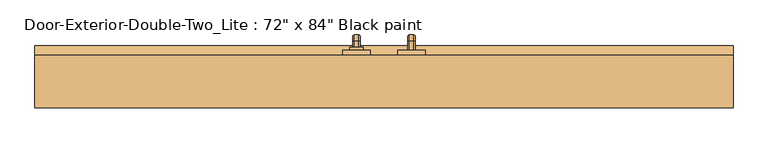
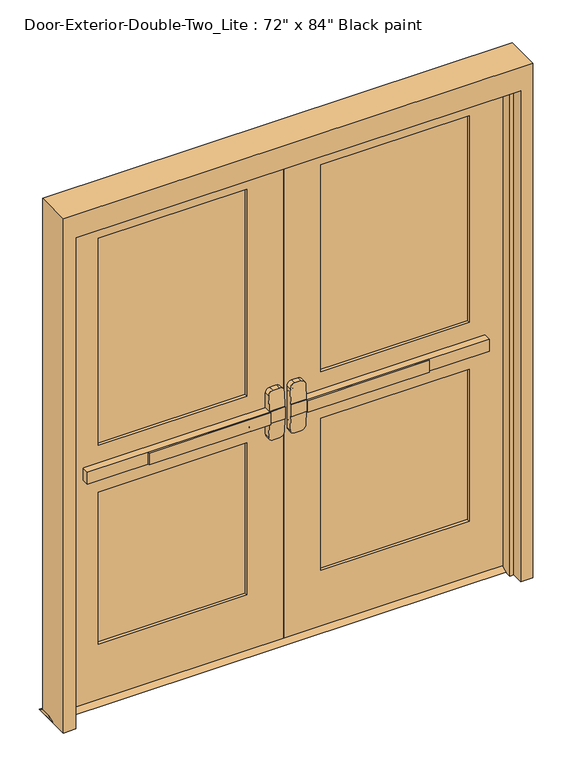
"""IFC4 building model written with IfcOpenShell, lengths in millimetres: door geometry."""

from ifc_helpers import new_model, si_unit, point, frame, frame_2d, origin, place, context, project, spatial, polyline, circle_curve, ellipse_curve, trimmed, segment, composite_curve, outline, extrude, faceted_brep, source, transform, mapped, element, save
from ifc_brep_helpers import plane_surface, cylinder_surface, revolved_surface, advanced_brep


def door_b526a401(model_context):
    return source(origin(), model_context, "Body", "SolidModel", [
        extrude(outline(polyline([(-575.7333333, 66.675), (-575.7333333, 73.025), (-76.2, 73.025), (-76.2, 66.675), (-575.7333333, 66.675)])), frame((0.0, 0.0, 990.6), z_axis=(0.0, 0.0, 1.0), x_axis=(1.0, 0.0, 0.0)), (0.0, 0.0, 1.0), 50.8),
        advanced_brep(
        [(-12.7, 73.025, 1041.4), (-76.2, 73.025, 1041.4), (-825.5, 73.025, 1041.4), (-825.5, 73.025, 990.6), (-76.2, 73.025, 990.6), (-12.7, 73.025, 990.6), (-825.5, 104.775, 1041.4), (-76.2, 104.775, 1041.4), (-76.2, 104.775, 1104.9), (-57.15, 104.775, 1123.95), (-31.75, 104.775, 1123.95), (-12.7, 104.775, 1104.9), (-12.7, 104.775, 927.1), (-31.75, 104.775, 908.05), (-57.15, 104.775, 908.05), (-76.2, 104.775, 927.1), (-76.2, 104.775, 990.6), (-825.5, 104.775, 990.6), (-12.7, 76.2002467, 1041.4), (-76.2, 76.2002467, 1041.4), (-12.7, 76.2002467, 990.6), (-12.7, 81.2104269, 927.1), (-12.7, 81.2104269, 1104.9), (-76.2, 76.2002467, 990.6), (-76.2, 81.2104269, 1104.9), (-76.2, 81.2104269, 927.1), (-57.15, 82.713481, 1123.95), (-31.75, 82.713481, 1123.95), (-31.75, 82.713481, 908.05), (-57.15, 82.713481, 908.05)],
        [
            (0, 1),
            (1, 2),
            (2, 3),
            (3, 4),
            (4, 5),
            (5, 0),
            (6, 7),
            (7, 8),
            (8, 9, circle_curve(frame((-57.15, 104.775, 1104.9), z_axis=(0.0, 1.0, 0.0), x_axis=(-1.0, 0.0, 0.0)), 19.05)),
            (9, 10),
            (10, 11, circle_curve(frame((-31.75, 104.775, 1104.9), z_axis=(0.0, 1.0, 0.0), x_axis=(-1.0, 0.0, 0.0)), 19.05)),
            (11, 12),
            (12, 13, circle_curve(frame((-31.75, 104.775, 927.1), z_axis=(0.0, 1.0, 0.0), x_axis=(-1.0, 0.0, 0.0)), 19.05)),
            (13, 14),
            (14, 15, circle_curve(frame((-57.15, 104.775, 927.1), z_axis=(0.0, 1.0, 0.0), x_axis=(-1.0, 0.0, 0.0)), 19.05)),
            (15, 16),
            (16, 17),
            (17, 6),
            (0, 18),
            (18, 19),
            (19, 7),
            (6, 2),
            (5, 20),
            (20, 21),
            (21, 12),
            (11, 22),
            (22, 18),
            (16, 23),
            (23, 20),
            (3, 17),
            (19, 24),
            (24, 8),
            (15, 25),
            (25, 23),
            (9, 26),
            (26, 27),
            (27, 10),
            (13, 28),
            (28, 29),
            (29, 14),
            (29, 25, ellipse_curve(frame((-57.15, 81.2104269, 927.1), z_axis=(0.0, 0.9969018152893365, 0.07865602756830282), x_axis=(0.0, -0.07865602756830208, 0.9969018152893365)), 19.1092038, 19.05)),
            (24, 26, ellipse_curve(frame((-57.15, 81.2104269, 1104.9), z_axis=(0.0, 0.9969018152893376, -0.07865602756828934), x_axis=(0.0, -0.078656027568288, -0.9969018152893377)), 19.1092038, 19.05)),
            (27, 22, ellipse_curve(frame((-31.75, 81.2104269, 1104.9), z_axis=(0.0, 0.9969018152893376, -0.07865602756828934), x_axis=(0.0, -0.078656027568288, -0.9969018152893377)), 19.1092038, 19.05)),
            (21, 28, ellipse_curve(frame((-31.75, 81.2104269, 927.1), z_axis=(0.0, 0.9969018152893365, 0.07865602756830282), x_axis=(0.0, -0.07865602756830208, 0.9969018152893365)), 19.1092038, 19.05)),
        ],
        [
            plane_surface(frame((-12.7, 73.025, 1041.4), z_axis=(0.0, -1.0, 0.0), x_axis=(1.0, 0.0, 0.0))),
            plane_surface(frame((-12.7, 104.775, 1041.4), z_axis=(0.0, 1.0, 0.0), x_axis=(-1.0, 0.0, 0.0))),
            plane_surface(frame((-825.5, 73.025, 1041.4), z_axis=(0.0, 0.0, 1.0), x_axis=(0.0, 1.0, 0.0))),
            plane_surface(frame((-12.7, 73.025, 1041.4), z_axis=(1.0, 0.0, 0.0), x_axis=(0.0, 1.0, 0.0))),
            plane_surface(frame((-12.7, 73.025, 990.6), z_axis=(0.0, 0.0, -1.0), x_axis=(0.0, 1.0, 0.0))),
            plane_surface(frame((-825.5, 73.025, 990.6), z_axis=(-1.0, 0.0, 0.0), x_axis=(0.0, 1.0, 0.0))),
            plane_surface(frame((-76.2, 76.2002467, 927.1), z_axis=(-1.0, 0.0, 0.0), x_axis=(0.0, 1.0, 0.0))),
            plane_surface(frame((-57.15, 76.2002467, 1123.95), z_axis=(0.0, 0.0, 1.0), x_axis=(0.0, 1.0, 0.0))),
            plane_surface(frame((-31.75, 76.2002467, 908.05), z_axis=(0.0, 0.0, -1.0), x_axis=(0.0, 1.0, 0.0))),
            cylinder_surface(frame((-57.15, 104.775, 927.1), z_axis=(0.0, -1.0, 0.0), x_axis=(-1.0, 0.0, 0.0)), 19.05),
            cylinder_surface(frame((-57.15, 104.775, 1104.9), z_axis=(0.0, -1.0, 0.0), x_axis=(-1.0, 0.0, 0.0)), 19.05),
            cylinder_surface(frame((-31.75, 104.775, 1104.9), z_axis=(0.0, -1.0, 0.0), x_axis=(-1.0, 0.0, 0.0)), 19.05),
            cylinder_surface(frame((-31.75, 104.775, 927.1), z_axis=(0.0, -1.0, 0.0), x_axis=(-1.0, 0.0, 0.0)), 19.05),
            plane_surface(frame((-76.2, 76.2002467, 1041.4), z_axis=(0.0, -0.9969018152893376, 0.07865602756828934), x_axis=(1.0, 0.0, 0.0))),
            plane_surface(frame((-76.2, 82.713481, 908.05), z_axis=(0.0, -0.9969018152893365, -0.07865602756830282), x_axis=(1.0, 0.0, 0.0))),
        ],
        [
            (0, [[1, 2, 3, 4, 5, 6]]),
            (1, [[7, 8, 9, 10, 11, 12, 13, 14, 15, 16, 17, 18]]),
            (2, [[-2, -1, 19, 20, 21, -7, 22]]),
            (3, [[23, 24, 25, -12, 26, 27, -19, -6]]),
            (4, [[-17, 28, 29, -23, -5, -4, 30]]),
            (5, [[-22, -18, -30, -3]]),
            (6, [[-21, 31, 32, -8]]),
            (6, [[33, 34, -28, -16]]),
            (7, [[35, 36, 37, -10]]),
            (8, [[38, 39, 40, -14]]),
            (9, [[-40, 41, -33, -15]]),
            (10, [[-32, 42, -35, -9]]),
            (11, [[-37, 43, -26, -11]]),
            (12, [[-25, 44, -38, -13]]),
            (13, [[-27, -43, -36, -42, -31, -20]]),
            (14, [[-29, -34, -41, -39, -44, -24]]),
        ],
    ),
        extrude(outline(polyline([(149.225, 12.7), (174.625, 0.0), (79.375, 0.0), (104.775, 12.7), (149.225, 12.7)])), frame((-965.2, 0.0, 0.0), z_axis=(1.0, 0.0, 0.0), x_axis=(0.0, 1.0, 0.0)), (0.0, 0.0, 1.0), 1930.4),
        extrude(outline(polyline([(575.7333333, 66.675), (76.2, 66.675), (76.2, 73.025), (575.7333333, 73.025), (575.7333333, 66.675)])), frame((0.0, 0.0, 990.6), z_axis=(0.0, 0.0, 1.0), x_axis=(1.0, 0.0, 0.0)), (0.0, 0.0, 1.0), 50.8),
        advanced_brep(
        [(12.7, 73.025, 1041.4), (12.7, 73.025, 990.6), (76.2, 73.025, 990.6), (825.5, 73.025, 990.6), (825.5, 73.025, 1041.4), (76.2, 73.025, 1041.4), (825.5, 104.775, 1041.4), (825.5, 104.775, 990.6), (76.2, 104.775, 990.6), (76.2, 104.775, 927.1), (57.15, 104.775, 908.05), (31.75, 104.775, 908.05), (12.7, 104.775, 927.1), (12.7, 104.775, 1104.9), (31.75, 104.775, 1123.95), (57.15, 104.775, 1123.95), (76.2, 104.775, 1104.9), (76.2, 104.775, 1041.4), (76.2, 76.2002467, 1041.4), (12.7, 76.2002467, 1041.4), (12.7, 81.2104269, 1104.9), (12.7, 81.2104269, 927.1), (12.7, 76.2002467, 990.6), (76.2, 76.2002467, 990.6), (76.2, 81.2104269, 927.1), (76.2, 81.2104269, 1104.9), (31.75, 82.713481, 1123.95), (57.15, 82.713481, 1123.95), (57.15, 82.713481, 908.05), (31.75, 82.713481, 908.05)],
        [
            (0, 1),
            (1, 2),
            (2, 3),
            (3, 4),
            (4, 5),
            (5, 0),
            (6, 7),
            (7, 8),
            (8, 9),
            (9, 10, circle_curve(frame((57.15, 104.775, 927.1), z_axis=(0.0, 1.0, 0.0), x_axis=(1.0, 0.0, 0.0)), 19.05)),
            (10, 11),
            (11, 12, circle_curve(frame((31.75, 104.775, 927.1), z_axis=(0.0, 1.0, 0.0), x_axis=(1.0, 0.0, 0.0)), 19.05)),
            (12, 13),
            (13, 14, circle_curve(frame((31.75, 104.775, 1104.9), z_axis=(0.0, 1.0, 0.0), x_axis=(1.0, 0.0, 0.0)), 19.05)),
            (14, 15),
            (15, 16, circle_curve(frame((57.15, 104.775, 1104.9), z_axis=(0.0, 1.0, 0.0), x_axis=(1.0, 0.0, 0.0)), 19.05)),
            (16, 17),
            (17, 6),
            (4, 6),
            (17, 18),
            (18, 19),
            (19, 0),
            (19, 20),
            (20, 13),
            (12, 21),
            (21, 22),
            (22, 1),
            (7, 3),
            (22, 23),
            (23, 8),
            (23, 24),
            (24, 9),
            (16, 25),
            (25, 18),
            (14, 26),
            (26, 27),
            (27, 15),
            (10, 28),
            (28, 29),
            (29, 11),
            (24, 28, ellipse_curve(frame((57.15, 81.2104269, 927.1), z_axis=(0.0, 0.9969018152893365, 0.07865602756830282), x_axis=(0.0, -0.07865602756830208, 0.9969018152893365)), 19.1092038, 19.05)),
            (27, 25, ellipse_curve(frame((57.15, 81.2104269, 1104.9), z_axis=(0.0, 0.9969018152893376, -0.07865602756828934), x_axis=(0.0, -0.078656027568288, -0.9969018152893377)), 19.1092038, 19.05)),
            (20, 26, ellipse_curve(frame((31.75, 81.2104269, 1104.9), z_axis=(0.0, 0.9969018152893376, -0.07865602756828934), x_axis=(0.0, -0.078656027568288, -0.9969018152893377)), 19.1092038, 19.05)),
            (29, 21, ellipse_curve(frame((31.75, 81.2104269, 927.1), z_axis=(0.0, 0.9969018152893365, 0.07865602756830282), x_axis=(0.0, -0.07865602756830208, 0.9969018152893365)), 19.1092038, 19.05)),
        ],
        [
            plane_surface(frame((12.7, 73.025, 1041.4), z_axis=(0.0, -1.0, 0.0), x_axis=(-1.0, 0.0, 0.0))),
            plane_surface(frame((12.7, 104.775, 1041.4), z_axis=(0.0, 1.0, 0.0), x_axis=(1.0, 0.0, 0.0))),
            plane_surface(frame((825.5, 73.025, 1041.4), z_axis=(0.0, 0.0, 1.0), x_axis=(0.0, 1.0, 0.0))),
            plane_surface(frame((12.7, 73.025, 1041.4), z_axis=(-1.0, 0.0, 0.0), x_axis=(0.0, 1.0, 0.0))),
            plane_surface(frame((12.7, 73.025, 990.6), z_axis=(0.0, 0.0, -1.0), x_axis=(0.0, 1.0, 0.0))),
            plane_surface(frame((825.5, 73.025, 990.6), z_axis=(1.0, 0.0, 0.0), x_axis=(0.0, 1.0, 0.0))),
            plane_surface(frame((76.2, 76.2002467, 927.1), z_axis=(1.0, 0.0, 0.0), x_axis=(0.0, 1.0, 0.0))),
            plane_surface(frame((57.15, 76.2002467, 1123.95), z_axis=(0.0, 0.0, 1.0), x_axis=(0.0, 1.0, 0.0))),
            plane_surface(frame((31.75, 76.2002467, 908.05), z_axis=(0.0, 0.0, -1.0), x_axis=(0.0, 1.0, 0.0))),
            cylinder_surface(frame((57.15, 104.775, 927.1), z_axis=(0.0, -1.0, 0.0), x_axis=(1.0, 0.0, 0.0)), 19.05),
            cylinder_surface(frame((57.15, 104.775, 1104.9), z_axis=(0.0, -1.0, 0.0), x_axis=(1.0, 0.0, 0.0)), 19.05),
            cylinder_surface(frame((31.75, 104.775, 1104.9), z_axis=(0.0, -1.0, 0.0), x_axis=(1.0, 0.0, 0.0)), 19.05),
            cylinder_surface(frame((31.75, 104.775, 927.1), z_axis=(0.0, -1.0, 0.0), x_axis=(1.0, 0.0, 0.0)), 19.05),
            plane_surface(frame((76.2, 76.2002467, 1041.4), z_axis=(0.0, -0.9969018152893376, 0.07865602756828934), x_axis=(-1.0, 0.0, 0.0))),
            plane_surface(frame((76.2, 82.713481, 908.05), z_axis=(0.0, -0.9969018152893365, -0.07865602756830282), x_axis=(-1.0, 0.0, 0.0))),
        ],
        [
            (0, [[1, 2, 3, 4, 5, 6]]),
            (1, [[7, 8, 9, 10, 11, 12, 13, 14, 15, 16, 17, 18]]),
            (2, [[19, -18, 20, 21, 22, -6, -5]]),
            (3, [[-1, -22, 23, 24, -13, 25, 26, 27]]),
            (4, [[28, -3, -2, -27, 29, 30, -8]]),
            (5, [[-4, -28, -7, -19]]),
            (6, [[-9, -30, 31, 32]]),
            (6, [[-17, 33, 34, -20]]),
            (7, [[-15, 35, 36, 37]]),
            (8, [[-11, 38, 39, 40]]),
            (9, [[-10, -32, 41, -38]]),
            (10, [[-16, -37, 42, -33]]),
            (11, [[-14, -24, 43, -35]]),
            (12, [[-12, -40, 44, -25]]),
            (13, [[-21, -34, -42, -36, -43, -23]]),
            (14, [[-26, -44, -39, -41, -31, -29]]),
        ],
    ),
        advanced_brep(
        [(66.2, 161.925, 1017.190625), (66.2, 161.925, 1014.809375), (69.771875, 161.925, 1011.2375), (82.6284594, 161.925, 1011.2375), (86.2, 161.925, 1014.8090406), (86.2, 161.925, 1017.190625), (82.628125, 161.925, 1020.7625), (69.771875, 161.925, 1020.7625), (66.2, 161.925, 887.809375), (69.771875, 161.925, 884.2375), (82.628125, 161.925, 884.2375), (86.2, 161.925, 887.809375), (86.2, 161.925, 890.1909594), (82.6284594, 161.925, 893.7625), (69.771875, 161.925, 893.7625), (66.2, 161.925, 890.190625), (66.2, 187.325, 1017.190625), (66.2, 201.215625, 1003.3), (66.2, 201.215625, 901.7), (66.2, 187.325, 887.809375), (66.2, 187.325, 890.190625), (66.2, 198.834375, 901.7), (66.2, 198.834375, 1003.3), (66.2, 187.325, 1014.809375), (69.771875, 187.325, 1011.2375), (82.6284594, 187.325, 1011.2375), (86.2, 187.325, 1014.8090406), (86.2, 198.8340406, 1003.3), (86.2, 198.8340406, 901.7), (86.2, 187.325, 890.1909594), (86.2, 187.325, 887.809375), (86.2, 201.215625, 901.7), (86.2, 201.215625, 1003.3), (86.2, 187.325, 1017.190625), (82.628125, 187.325, 1020.7625), (69.771875, 187.325, 1020.7625), (69.771875, 195.2625, 1003.3), (82.6284594, 195.2625, 1003.3), (82.628125, 204.7875, 1003.3), (69.771875, 204.7875, 1003.3), (69.771875, 195.2625, 901.7), (82.6284594, 195.2625, 901.7), (82.628125, 204.7875, 901.7), (69.771875, 204.7875, 901.7), (69.771875, 187.325, 893.7625), (82.6284594, 187.325, 893.7625), (82.628125, 187.325, 884.2375), (69.771875, 187.325, 884.2375)],
        [
            (0, 1),
            (1, 2, circle_curve(frame((69.771875, 161.925, 1014.809375), z_axis=(0.0, -1.0, 0.0), x_axis=(0.0, 0.0, 1.0)), 3.571875)),
            (2, 3),
            (3, 4, circle_curve(frame((82.6284594, 161.925, 1014.8090406), z_axis=(0.0, -1.0, 0.0), x_axis=(0.0, 0.0, 1.0)), 3.5715406)),
            (4, 5),
            (5, 6, circle_curve(frame((82.628125, 161.925, 1017.190625), z_axis=(0.0, -1.0, 0.0), x_axis=(0.0, 0.0, 1.0)), 3.571875)),
            (6, 7),
            (7, 0, circle_curve(frame((69.771875, 161.925, 1017.190625), z_axis=(0.0, -1.0, 0.0), x_axis=(0.0, 0.0, 1.0)), 3.571875)),
            (8, 9, circle_curve(frame((69.771875, 161.925, 887.809375), z_axis=(0.0, -1.0, 0.0), x_axis=(0.0, 0.0, -1.0)), 3.571875)),
            (9, 10),
            (10, 11, circle_curve(frame((82.628125, 161.925, 887.809375), z_axis=(0.0, -1.0, 0.0), x_axis=(0.0, 0.0, -1.0)), 3.571875)),
            (11, 12),
            (12, 13, circle_curve(frame((82.6284594, 161.925, 890.1909594), z_axis=(0.0, -1.0, 0.0), x_axis=(0.0, 0.0, -1.0)), 3.5715406)),
            (13, 14),
            (14, 15, circle_curve(frame((69.771875, 161.925, 890.190625), z_axis=(0.0, -1.0, 0.0), x_axis=(0.0, 0.0, -1.0)), 3.571875)),
            (15, 8),
            (0, 16),
            (16, 17, circle_curve(frame((66.2, 187.325, 1003.3), z_axis=(-1.0, 0.0, 0.0), x_axis=(0.0, 0.0, 1.0)), 13.890625)),
            (17, 18),
            (18, 19, circle_curve(frame((66.2, 187.325, 901.7), z_axis=(-1.0, 0.0, 0.0), x_axis=(0.0, 1.0, 0.0)), 13.890625)),
            (19, 8),
            (15, 20),
            (20, 21, circle_curve(frame((66.2, 187.325, 901.7), z_axis=(1.0, 0.0, 0.0), x_axis=(0.0, 1.0, 0.0)), 11.509375)),
            (21, 22),
            (22, 23, circle_curve(frame((66.2, 187.325, 1003.3), z_axis=(1.0, 0.0, 0.0), x_axis=(0.0, 0.0, 1.0)), 11.509375)),
            (23, 1),
            (23, 24, circle_curve(frame((69.771875, 187.325, 1014.809375), z_axis=(0.0, -1.0, 0.0), x_axis=(0.0, 0.0, 1.0)), 3.571875)),
            (24, 2),
            (24, 25),
            (25, 3),
            (25, 26, circle_curve(frame((82.6284594, 187.325, 1014.8090406), z_axis=(0.0, -1.0, 0.0), x_axis=(0.0, 0.0, 1.0)), 3.5715406)),
            (26, 4),
            (26, 27, circle_curve(frame((86.2, 187.325, 1003.3), z_axis=(-1.0, 0.0, 0.0), x_axis=(0.0, 0.0, 1.0)), 11.5090406)),
            (27, 28),
            (28, 29, circle_curve(frame((86.2, 187.325, 901.7), z_axis=(-1.0, 0.0, 0.0), x_axis=(0.0, 1.0, 0.0)), 11.5090406)),
            (29, 12),
            (11, 30),
            (30, 31, circle_curve(frame((86.2, 187.325, 901.7), z_axis=(1.0, 0.0, 0.0), x_axis=(0.0, 1.0, 0.0)), 13.890625)),
            (31, 32),
            (32, 33, circle_curve(frame((86.2, 187.325, 1003.3), z_axis=(1.0, 0.0, 0.0), x_axis=(0.0, 0.0, 1.0)), 13.890625)),
            (33, 5),
            (33, 34, circle_curve(frame((82.628125, 187.325, 1017.190625), z_axis=(0.0, -1.0, 0.0), x_axis=(0.0, 0.0, 1.0)), 3.571875)),
            (34, 6),
            (34, 35),
            (35, 7),
            (35, 16, circle_curve(frame((69.771875, 187.325, 1017.190625), z_axis=(0.0, -1.0, 0.0), x_axis=(0.0, 0.0, 1.0)), 3.571875)),
            (36, 24, circle_curve(frame((69.771875, 187.325, 1003.3), z_axis=(1.0, 0.0, 0.0), x_axis=(0.0, 0.0, 1.0)), 7.9375)),
            (22, 36, circle_curve(frame((69.771875, 198.834375, 1003.3), z_axis=(0.0, 0.0, 1.0), x_axis=(0.0, 1.0, 0.0)), 3.571875)),
            (37, 25, circle_curve(frame((82.6284594, 187.325, 1003.3), z_axis=(1.0, 0.0, 0.0), x_axis=(0.0, 0.0, 1.0)), 7.9375)),
            (36, 37),
            (37, 27, circle_curve(frame((82.6284594, 198.8340406, 1003.3), z_axis=(0.0, 0.0, 1.0), x_axis=(0.0, 1.0, 0.0)), 3.5715406)),
            (38, 34, circle_curve(frame((82.628125, 187.325, 1003.3), z_axis=(1.0, 0.0, 0.0), x_axis=(0.0, 0.0, 1.0)), 17.4625)),
            (32, 38, circle_curve(frame((82.628125, 201.215625, 1003.3), z_axis=(0.0, 0.0, 1.0), x_axis=(0.0, 1.0, 0.0)), 3.571875)),
            (39, 35, circle_curve(frame((69.771875, 187.325, 1003.3), z_axis=(1.0, 0.0, 0.0), x_axis=(0.0, 0.0, 1.0)), 17.4625)),
            (38, 39),
            (39, 17, circle_curve(frame((69.771875, 201.215625, 1003.3), z_axis=(0.0, 0.0, 1.0), x_axis=(0.0, 1.0, 0.0)), 3.571875)),
            (21, 40, circle_curve(frame((69.771875, 198.834375, 901.7), z_axis=(0.0, 0.0, 1.0), x_axis=(0.0, 1.0, 0.0)), 3.571875)),
            (40, 36),
            (40, 41),
            (41, 37),
            (41, 28, circle_curve(frame((82.6284594, 198.8340406, 901.7), z_axis=(0.0, 0.0, 1.0), x_axis=(0.0, 1.0, 0.0)), 3.5715406)),
            (31, 42, circle_curve(frame((82.628125, 201.215625, 901.7), z_axis=(0.0, 0.0, 1.0), x_axis=(0.0, 1.0, 0.0)), 3.571875)),
            (42, 38),
            (42, 43),
            (43, 39),
            (43, 18, circle_curve(frame((69.771875, 201.215625, 901.7), z_axis=(0.0, 0.0, 1.0), x_axis=(0.0, 1.0, 0.0)), 3.571875)),
            (44, 40, circle_curve(frame((69.771875, 187.325, 901.7), z_axis=(1.0, 0.0, 0.0), x_axis=(0.0, 1.0, 0.0)), 7.9375)),
            (20, 44, circle_curve(frame((69.771875, 187.325, 890.190625), z_axis=(0.0, 1.0, 0.0), x_axis=(0.0, 0.0, -1.0)), 3.571875)),
            (45, 41, circle_curve(frame((82.6284594, 187.325, 901.7), z_axis=(1.0, 0.0, 0.0), x_axis=(0.0, 1.0, 0.0)), 7.9375)),
            (44, 45),
            (45, 29, circle_curve(frame((82.6284594, 187.325, 890.1909594), z_axis=(0.0, 1.0, 0.0), x_axis=(0.0, 0.0, -1.0)), 3.5715406)),
            (46, 42, circle_curve(frame((82.628125, 187.325, 901.7), z_axis=(1.0, 0.0, 0.0), x_axis=(0.0, 1.0, 0.0)), 17.4625)),
            (30, 46, circle_curve(frame((82.628125, 187.325, 887.809375), z_axis=(0.0, 1.0, 0.0), x_axis=(0.0, 0.0, -1.0)), 3.571875)),
            (47, 43, circle_curve(frame((69.771875, 187.325, 901.7), z_axis=(1.0, 0.0, 0.0), x_axis=(0.0, 1.0, 0.0)), 17.4625)),
            (46, 47),
            (47, 19, circle_curve(frame((69.771875, 187.325, 887.809375), z_axis=(0.0, 1.0, 0.0), x_axis=(0.0, 0.0, -1.0)), 3.571875)),
            (14, 44),
            (13, 45),
            (10, 46),
            (9, 47),
        ],
        [
            plane_surface(frame((76.2, 161.925, 1016.0), z_axis=(0.0, -1.0, 0.0), x_axis=(1.0, 0.0, 0.0))),
            plane_surface(frame((76.2, 161.925, 889.0), z_axis=(0.0, -1.0, 0.0), x_axis=(1.0, 0.0, 0.0))),
            plane_surface(frame((66.2, 161.925, 1017.190625), z_axis=(-1.0, 0.0, 0.0), x_axis=(0.0, 1.0, 0.0))),
            cylinder_surface(frame((69.771875, 161.925, 1014.809375), z_axis=(0.0, -1.0, 0.0), x_axis=(0.0, 0.0, 1.0)), 3.571875),
            plane_surface(frame((69.771875, 161.925, 1011.2375), z_axis=(0.0, 0.0, -1.0), x_axis=(0.0, 1.0, 0.0))),
            cylinder_surface(frame((82.6284594, 161.925, 1014.8090406), z_axis=(0.0, -1.0, 0.0), x_axis=(0.0, 0.0, 1.0)), 3.5715406),
            plane_surface(frame((86.2, 161.925, 1014.8090406), z_axis=(1.0, 0.0, 0.0), x_axis=(0.0, 1.0, 0.0))),
            cylinder_surface(frame((82.628125, 161.925, 1017.190625), z_axis=(0.0, -1.0, 0.0), x_axis=(0.0, 0.0, 1.0)), 3.571875),
            plane_surface(frame((82.628125, 161.925, 1020.7625), z_axis=(0.0, 0.0, 1.0), x_axis=(0.0, 1.0, 0.0))),
            cylinder_surface(frame((69.771875, 161.925, 1017.190625), z_axis=(0.0, -1.0, 0.0), x_axis=(0.0, 0.0, 1.0)), 3.571875),
            revolved_surface(trimmed(ellipse_curve(frame((69.771875, 187.325, 1014.809375), z_axis=(0.0, -1.0, 0.0), x_axis=(0.0, 0.0, 1.0)), 3.571875, 3.571875), [point((66.2, 187.325, 1014.809375))], [point((69.771875, 187.325, 1011.2375))], True, "CARTESIAN"), (76.2, 187.325, 1003.3), (-1.0, 0.0, 0.0)),
            revolved_surface(polyline([(69.771875, 187.325, 1011.2375), (82.6284594, 187.325, 1011.2375)]), (76.2, 187.325, 1003.3), (-1.0, 0.0, 0.0)),
            revolved_surface(trimmed(ellipse_curve(frame((82.6284594, 187.325, 1014.8090406), z_axis=(0.0, -1.0, 0.0), x_axis=(0.0, 0.0, 1.0)), 3.5715406, 3.5715406), [point((82.6284594, 187.325, 1011.2375))], [point((86.2, 187.325, 1014.8090406))], True, "CARTESIAN"), (76.2, 187.325, 1003.3), (-1.0, 0.0, 0.0)),
            revolved_surface(trimmed(ellipse_curve(frame((82.628125, 187.325, 1017.190625), z_axis=(0.0, -1.0, 0.0), x_axis=(0.0, 0.0, 1.0)), 3.571875, 3.571875), [point((86.2, 187.325, 1017.190625))], [point((82.628125, 187.325, 1020.7625))], True, "CARTESIAN"), (76.2, 187.325, 1003.3), (-1.0, 0.0, 0.0)),
            cylinder_surface(frame((76.2, 187.325, 1003.3), z_axis=(-1.0, 0.0, 0.0), x_axis=(0.0, 0.0, 1.0)), 17.4625),
            revolved_surface(trimmed(ellipse_curve(frame((69.771875, 187.325, 1017.190625), z_axis=(0.0, -1.0, 0.0), x_axis=(0.0, 0.0, 1.0)), 3.571875, 3.571875), [point((69.771875, 187.325, 1020.7625))], [point((66.2, 187.325, 1017.190625))], True, "CARTESIAN"), (76.2, 187.325, 1003.3), (-1.0, 0.0, 0.0)),
            cylinder_surface(frame((69.771875, 198.834375, 1003.3), z_axis=(0.0, 0.0, 1.0), x_axis=(0.0, 1.0, 0.0)), 3.571875),
            plane_surface(frame((69.771875, 195.2625, 1003.3), z_axis=(0.0, -1.0, 0.0), x_axis=(0.0, 0.0, -1.0))),
            cylinder_surface(frame((82.6284594, 198.8340406, 1003.3), z_axis=(0.0, 0.0, 1.0), x_axis=(0.0, 1.0, 0.0)), 3.5715406),
            cylinder_surface(frame((82.628125, 201.215625, 1003.3), z_axis=(0.0, 0.0, 1.0), x_axis=(0.0, 1.0, 0.0)), 3.571875),
            plane_surface(frame((82.628125, 204.7875, 1003.3), z_axis=(0.0, 1.0, 0.0), x_axis=(0.0, 0.0, -1.0))),
            cylinder_surface(frame((69.771875, 201.215625, 1003.3), z_axis=(0.0, 0.0, 1.0), x_axis=(0.0, 1.0, 0.0)), 3.571875),
            revolved_surface(trimmed(ellipse_curve(frame((69.771875, 198.834375, 901.7), z_axis=(0.0, 0.0, 1.0), x_axis=(0.0, 1.0, 0.0)), 3.571875, 3.571875), [point((66.2, 198.834375, 901.7))], [point((69.771875, 195.2625, 901.7))], True, "CARTESIAN"), (76.2, 187.325, 901.7), (-1.0, 0.0, 0.0)),
            revolved_surface(polyline([(69.771875, 195.2625, 901.7), (82.6284594, 195.2625, 901.7)]), (76.2, 187.325, 901.7), (-1.0, 0.0, 0.0)),
            revolved_surface(trimmed(ellipse_curve(frame((82.6284594, 198.8340406, 901.7), z_axis=(0.0, 0.0, 1.0), x_axis=(0.0, 1.0, 0.0)), 3.5715406, 3.5715406), [point((82.6284594, 195.2625, 901.7))], [point((86.2, 198.8340406, 901.7))], True, "CARTESIAN"), (76.2, 187.325, 901.7), (-1.0, 0.0, 0.0)),
            revolved_surface(trimmed(ellipse_curve(frame((82.628125, 201.215625, 901.7), z_axis=(0.0, 0.0, 1.0), x_axis=(0.0, 1.0, 0.0)), 3.571875, 3.571875), [point((86.2, 201.215625, 901.7))], [point((82.628125, 204.7875, 901.7))], True, "CARTESIAN"), (76.2, 187.325, 901.7), (-1.0, 0.0, 0.0)),
            cylinder_surface(frame((76.2, 187.325, 901.7), z_axis=(-1.0, 0.0, 0.0), x_axis=(0.0, 1.0, 0.0)), 17.4625),
            revolved_surface(trimmed(ellipse_curve(frame((69.771875, 201.215625, 901.7), z_axis=(0.0, 0.0, 1.0), x_axis=(0.0, 1.0, 0.0)), 3.571875, 3.571875), [point((69.771875, 204.7875, 901.7))], [point((66.2, 201.215625, 901.7))], True, "CARTESIAN"), (76.2, 187.325, 901.7), (-1.0, 0.0, 0.0)),
            cylinder_surface(frame((69.771875, 187.325, 890.190625), z_axis=(0.0, 1.0, 0.0), x_axis=(0.0, 0.0, -1.0)), 3.571875),
            plane_surface(frame((69.771875, 187.325, 893.7625), z_axis=(0.0, 0.0, 1.0), x_axis=(0.0, -1.0, 0.0))),
            cylinder_surface(frame((82.6284594, 187.325, 890.1909594), z_axis=(0.0, 1.0, 0.0), x_axis=(0.0, 0.0, -1.0)), 3.5715406),
            cylinder_surface(frame((82.628125, 187.325, 887.809375), z_axis=(0.0, 1.0, 0.0), x_axis=(0.0, 0.0, -1.0)), 3.571875),
            plane_surface(frame((82.628125, 187.325, 884.2375), z_axis=(0.0, 0.0, -1.0), x_axis=(0.0, -1.0, 0.0))),
            cylinder_surface(frame((69.771875, 187.325, 887.809375), z_axis=(0.0, 1.0, 0.0), x_axis=(0.0, 0.0, -1.0)), 3.571875),
        ],
        [
            (0, [[1, 2, 3, 4, 5, 6, 7, 8]]),
            (1, [[9, 10, 11, 12, 13, 14, 15, 16]]),
            (2, [[-1, 17, 18, 19, 20, 21, -16, 22, 23, 24, 25, 26]]),
            (3, [[-2, -26, 27, 28]]),
            (4, [[-3, -28, 29, 30]]),
            (5, [[-4, -30, 31, 32]]),
            (6, [[-5, -32, 33, 34, 35, 36, -12, 37, 38, 39, 40, 41]]),
            (7, [[-6, -41, 42, 43]]),
            (8, [[-7, -43, 44, 45]]),
            (9, [[-8, -45, 46, -17]]),
            (10, [[47, -27, -25, 48]]),
            (11, [[49, -29, -47, 50]]),
            (12, [[-33, -31, -49, 51]]),
            (13, [[52, -42, -40, 53]]),
            (14, [[54, -44, -52, 55]]),
            (15, [[-18, -46, -54, 56]]),
            (16, [[-48, -24, 57, 58]]),
            (17, [[-50, -58, 59, 60]]),
            (18, [[-51, -60, 61, -34]]),
            (19, [[-53, -39, 62, 63]]),
            (20, [[-55, -63, 64, 65]]),
            (21, [[-56, -65, 66, -19]]),
            (22, [[67, -57, -23, 68]]),
            (23, [[69, -59, -67, 70]]),
            (24, [[-35, -61, -69, 71]]),
            (25, [[72, -62, -38, 73]]),
            (26, [[74, -64, -72, 75]]),
            (27, [[-20, -66, -74, 76]]),
            (28, [[-68, -22, -15, 77]]),
            (29, [[-70, -77, -14, 78]]),
            (30, [[-71, -78, -13, -36]]),
            (31, [[-73, -37, -11, 79]]),
            (32, [[-75, -79, -10, 80]]),
            (33, [[-76, -80, -9, -21]]),
        ],
    ),
        extrude(outline(composite_curve([segment(trimmed(circle_curve(frame_2d((1113.0338574, 76.2)), 89.3016225), [point((1193.8, 114.3))], [point((1193.8, 38.1))], False, "CARTESIAN"), True, "CONTINUOUS"), segment(polyline([(1193.8, 38.1), (838.2, 38.1)]), True, "CONTINUOUS"), segment(trimmed(circle_curve(frame_2d((918.9661426, 76.2)), 89.3016225), [point((838.2, 38.1))], [point((838.2, 114.3))], False, "CARTESIAN"), True, "CONTINUOUS"), segment(polyline([(838.2, 114.3), (1193.8, 114.3)]), True, "CONTINUOUS")], self_intersect=False)), frame((0.0, 149.225, 0.0), z_axis=(0.0, 1.0, 0.0), x_axis=(0.0, 0.0, 1.0)), (0.0, 0.0, 1.0), 12.7),
        advanced_brep(
        [(-86.2, 161.925, 1017.190625), (-86.2, 161.925, 1014.809375), (-82.628125, 161.925, 1011.2375), (-69.7715406, 161.925, 1011.2375), (-66.2, 161.925, 1014.8090406), (-66.2, 161.925, 1017.190625), (-69.771875, 161.925, 1020.7625), (-82.628125, 161.925, 1020.7625), (-86.2, 161.925, 887.809375), (-82.628125, 161.925, 884.2375), (-69.771875, 161.925, 884.2375), (-66.2, 161.925, 887.809375), (-66.2, 161.925, 890.1909594), (-69.7715406, 161.925, 893.7625), (-82.628125, 161.925, 893.7625), (-86.2, 161.925, 890.190625), (-86.2, 187.325, 1017.190625), (-86.2, 201.215625, 1003.3), (-86.2, 201.215625, 901.7), (-86.2, 187.325, 887.809375), (-86.2, 187.325, 890.190625), (-86.2, 198.834375, 901.7), (-86.2, 198.834375, 1003.3), (-86.2, 187.325, 1014.809375), (-82.628125, 187.325, 1011.2375), (-69.7715406, 187.325, 1011.2375), (-66.2, 187.325, 1014.8090406), (-66.2, 198.8340406, 1003.3), (-66.2, 198.8340406, 901.7), (-66.2, 187.325, 890.1909594), (-66.2, 187.325, 887.809375), (-66.2, 201.215625, 901.7), (-66.2, 201.215625, 1003.3), (-66.2, 187.325, 1017.190625), (-69.771875, 187.325, 1020.7625), (-82.628125, 187.325, 1020.7625), (-82.628125, 195.2625, 1003.3), (-69.7715406, 195.2625, 1003.3), (-69.771875, 204.7875, 1003.3), (-82.628125, 204.7875, 1003.3), (-82.628125, 195.2625, 901.7), (-69.7715406, 195.2625, 901.7), (-69.771875, 204.7875, 901.7), (-82.628125, 204.7875, 901.7), (-82.628125, 187.325, 893.7625), (-69.7715406, 187.325, 893.7625), (-69.771875, 187.325, 884.2375), (-82.628125, 187.325, 884.2375)],
        [
            (0, 1),
            (1, 2, circle_curve(frame((-82.628125, 161.925, 1014.809375), z_axis=(0.0, -1.0, 0.0), x_axis=(0.0, 0.0, 1.0)), 3.571875)),
            (2, 3),
            (3, 4, circle_curve(frame((-69.7715406, 161.925, 1014.8090406), z_axis=(0.0, -1.0, 0.0), x_axis=(0.0, 0.0, 1.0)), 3.5715406)),
            (4, 5),
            (5, 6, circle_curve(frame((-69.771875, 161.925, 1017.190625), z_axis=(0.0, -1.0, 0.0), x_axis=(0.0, 0.0, 1.0)), 3.571875)),
            (6, 7),
            (7, 0, circle_curve(frame((-82.628125, 161.925, 1017.190625), z_axis=(0.0, -1.0, 0.0), x_axis=(0.0, 0.0, 1.0)), 3.571875)),
            (8, 9, circle_curve(frame((-82.628125, 161.925, 887.809375), z_axis=(0.0, -1.0, 0.0), x_axis=(0.0, 0.0, -1.0)), 3.571875)),
            (9, 10),
            (10, 11, circle_curve(frame((-69.771875, 161.925, 887.809375), z_axis=(0.0, -1.0, 0.0), x_axis=(0.0, 0.0, -1.0)), 3.571875)),
            (11, 12),
            (12, 13, circle_curve(frame((-69.7715406, 161.925, 890.1909594), z_axis=(0.0, -1.0, 0.0), x_axis=(0.0, 0.0, -1.0)), 3.5715406)),
            (13, 14),
            (14, 15, circle_curve(frame((-82.628125, 161.925, 890.190625), z_axis=(0.0, -1.0, 0.0), x_axis=(0.0, 0.0, -1.0)), 3.571875)),
            (15, 8),
            (0, 16),
            (16, 17, circle_curve(frame((-86.2, 187.325, 1003.3), z_axis=(-1.0, 0.0, 0.0), x_axis=(0.0, 0.0, 1.0)), 13.890625)),
            (17, 18),
            (18, 19, circle_curve(frame((-86.2, 187.325, 901.7), z_axis=(-1.0, 0.0, 0.0), x_axis=(0.0, 1.0, 0.0)), 13.890625)),
            (19, 8),
            (15, 20),
            (20, 21, circle_curve(frame((-86.2, 187.325, 901.7), z_axis=(1.0, 0.0, 0.0), x_axis=(0.0, 1.0, 0.0)), 11.509375)),
            (21, 22),
            (22, 23, circle_curve(frame((-86.2, 187.325, 1003.3), z_axis=(1.0, 0.0, 0.0), x_axis=(0.0, 0.0, 1.0)), 11.509375)),
            (23, 1),
            (23, 24, circle_curve(frame((-82.628125, 187.325, 1014.809375), z_axis=(0.0, -1.0, 0.0), x_axis=(0.0, 0.0, 1.0)), 3.571875)),
            (24, 2),
            (24, 25),
            (25, 3),
            (25, 26, circle_curve(frame((-69.7715406, 187.325, 1014.8090406), z_axis=(0.0, -1.0, 0.0), x_axis=(0.0, 0.0, 1.0)), 3.5715406)),
            (26, 4),
            (26, 27, circle_curve(frame((-66.2, 187.325, 1003.3), z_axis=(-1.0, 0.0, 0.0), x_axis=(0.0, 0.0, 1.0)), 11.5090406)),
            (27, 28),
            (28, 29, circle_curve(frame((-66.2, 187.325, 901.7), z_axis=(-1.0, 0.0, 0.0), x_axis=(0.0, 1.0, 0.0)), 11.5090406)),
            (29, 12),
            (11, 30),
            (30, 31, circle_curve(frame((-66.2, 187.325, 901.7), z_axis=(1.0, 0.0, 0.0), x_axis=(0.0, 1.0, 0.0)), 13.890625)),
            (31, 32),
            (32, 33, circle_curve(frame((-66.2, 187.325, 1003.3), z_axis=(1.0, 0.0, 0.0), x_axis=(0.0, 0.0, 1.0)), 13.890625)),
            (33, 5),
            (33, 34, circle_curve(frame((-69.771875, 187.325, 1017.190625), z_axis=(0.0, -1.0, 0.0), x_axis=(0.0, 0.0, 1.0)), 3.571875)),
            (34, 6),
            (34, 35),
            (35, 7),
            (35, 16, circle_curve(frame((-82.628125, 187.325, 1017.190625), z_axis=(0.0, -1.0, 0.0), x_axis=(0.0, 0.0, 1.0)), 3.571875)),
            (36, 24, circle_curve(frame((-82.628125, 187.325, 1003.3), z_axis=(1.0, 0.0, 0.0), x_axis=(0.0, 0.0, 1.0)), 7.9375)),
            (22, 36, circle_curve(frame((-82.628125, 198.834375, 1003.3), z_axis=(0.0, 0.0, 1.0), x_axis=(0.0, 1.0, 0.0)), 3.571875)),
            (37, 25, circle_curve(frame((-69.7715406, 187.325, 1003.3), z_axis=(1.0, 0.0, 0.0), x_axis=(0.0, 0.0, 1.0)), 7.9375)),
            (36, 37),
            (37, 27, circle_curve(frame((-69.7715406, 198.8340406, 1003.3), z_axis=(0.0, 0.0, 1.0), x_axis=(0.0, 1.0, 0.0)), 3.5715406)),
            (38, 34, circle_curve(frame((-69.771875, 187.325, 1003.3), z_axis=(1.0, 0.0, 0.0), x_axis=(0.0, 0.0, 1.0)), 17.4625)),
            (32, 38, circle_curve(frame((-69.771875, 201.215625, 1003.3), z_axis=(0.0, 0.0, 1.0), x_axis=(0.0, 1.0, 0.0)), 3.571875)),
            (39, 35, circle_curve(frame((-82.628125, 187.325, 1003.3), z_axis=(1.0, 0.0, 0.0), x_axis=(0.0, 0.0, 1.0)), 17.4625)),
            (38, 39),
            (39, 17, circle_curve(frame((-82.628125, 201.215625, 1003.3), z_axis=(0.0, 0.0, 1.0), x_axis=(0.0, 1.0, 0.0)), 3.571875)),
            (21, 40, circle_curve(frame((-82.628125, 198.834375, 901.7), z_axis=(0.0, 0.0, 1.0), x_axis=(0.0, 1.0, 0.0)), 3.571875)),
            (40, 36),
            (40, 41),
            (41, 37),
            (41, 28, circle_curve(frame((-69.7715406, 198.8340406, 901.7), z_axis=(0.0, 0.0, 1.0), x_axis=(0.0, 1.0, 0.0)), 3.5715406)),
            (31, 42, circle_curve(frame((-69.771875, 201.215625, 901.7), z_axis=(0.0, 0.0, 1.0), x_axis=(0.0, 1.0, 0.0)), 3.571875)),
            (42, 38),
            (42, 43),
            (43, 39),
            (43, 18, circle_curve(frame((-82.628125, 201.215625, 901.7), z_axis=(0.0, 0.0, 1.0), x_axis=(0.0, 1.0, 0.0)), 3.571875)),
            (44, 40, circle_curve(frame((-82.628125, 187.325, 901.7), z_axis=(1.0, 0.0, 0.0), x_axis=(0.0, 1.0, 0.0)), 7.9375)),
            (20, 44, circle_curve(frame((-82.628125, 187.325, 890.190625), z_axis=(0.0, 1.0, 0.0), x_axis=(0.0, 0.0, -1.0)), 3.571875)),
            (45, 41, circle_curve(frame((-69.7715406, 187.325, 901.7), z_axis=(1.0, 0.0, 0.0), x_axis=(0.0, 1.0, 0.0)), 7.9375)),
            (44, 45),
            (45, 29, circle_curve(frame((-69.7715406, 187.325, 890.1909594), z_axis=(0.0, 1.0, 0.0), x_axis=(0.0, 0.0, -1.0)), 3.5715406)),
            (46, 42, circle_curve(frame((-69.771875, 187.325, 901.7), z_axis=(1.0, 0.0, 0.0), x_axis=(0.0, 1.0, 0.0)), 17.4625)),
            (30, 46, circle_curve(frame((-69.771875, 187.325, 887.809375), z_axis=(0.0, 1.0, 0.0), x_axis=(0.0, 0.0, -1.0)), 3.571875)),
            (47, 43, circle_curve(frame((-82.628125, 187.325, 901.7), z_axis=(1.0, 0.0, 0.0), x_axis=(0.0, 1.0, 0.0)), 17.4625)),
            (46, 47),
            (47, 19, circle_curve(frame((-82.628125, 187.325, 887.809375), z_axis=(0.0, 1.0, 0.0), x_axis=(0.0, 0.0, -1.0)), 3.571875)),
            (14, 44),
            (13, 45),
            (10, 46),
            (9, 47),
        ],
        [
            plane_surface(frame((-76.2, 161.925, 1016.0), z_axis=(0.0, -1.0, 0.0), x_axis=(1.0, 0.0, 0.0))),
            plane_surface(frame((-76.2, 161.925, 889.0), z_axis=(0.0, -1.0, 0.0), x_axis=(1.0, 0.0, 0.0))),
            plane_surface(frame((-86.2, 161.925, 1017.190625), z_axis=(-1.0, 0.0, 0.0), x_axis=(0.0, 1.0, 0.0))),
            cylinder_surface(frame((-82.628125, 161.925, 1014.809375), z_axis=(0.0, -1.0, 0.0), x_axis=(0.0, 0.0, 1.0)), 3.571875),
            plane_surface(frame((-82.628125, 161.925, 1011.2375), z_axis=(0.0, 0.0, -1.0), x_axis=(0.0, 1.0, 0.0))),
            cylinder_surface(frame((-69.7715406, 161.925, 1014.8090406), z_axis=(0.0, -1.0, 0.0), x_axis=(0.0, 0.0, 1.0)), 3.5715406),
            plane_surface(frame((-66.2, 161.925, 1014.8090406), z_axis=(1.0, 0.0, 0.0), x_axis=(0.0, 1.0, 0.0))),
            cylinder_surface(frame((-69.771875, 161.925, 1017.190625), z_axis=(0.0, -1.0, 0.0), x_axis=(0.0, 0.0, 1.0)), 3.571875),
            plane_surface(frame((-69.771875, 161.925, 1020.7625), z_axis=(0.0, 0.0, 1.0), x_axis=(0.0, 1.0, 0.0))),
            cylinder_surface(frame((-82.628125, 161.925, 1017.190625), z_axis=(0.0, -1.0, 0.0), x_axis=(0.0, 0.0, 1.0)), 3.571875),
            revolved_surface(trimmed(ellipse_curve(frame((-82.628125, 187.325, 1014.809375), z_axis=(0.0, -1.0, 0.0), x_axis=(0.0, 0.0, 1.0)), 3.571875, 3.571875), [point((-86.2, 187.325, 1014.809375))], [point((-82.628125, 187.325, 1011.2375))], True, "CARTESIAN"), (-76.2, 187.325, 1003.3), (-1.0, 0.0, 0.0)),
            revolved_surface(polyline([(-82.628125, 187.325, 1011.2375), (-69.7715406, 187.325, 1011.2375)]), (-76.2, 187.325, 1003.3), (-1.0, 0.0, 0.0)),
            revolved_surface(trimmed(ellipse_curve(frame((-69.7715406, 187.325, 1014.8090406), z_axis=(0.0, -1.0, 0.0), x_axis=(0.0, 0.0, 1.0)), 3.5715406, 3.5715406), [point((-69.7715406, 187.325, 1011.2375))], [point((-66.2, 187.325, 1014.8090406))], True, "CARTESIAN"), (-76.2, 187.325, 1003.3), (-1.0, 0.0, 0.0)),
            revolved_surface(trimmed(ellipse_curve(frame((-69.771875, 187.325, 1017.190625), z_axis=(0.0, -1.0, 0.0), x_axis=(0.0, 0.0, 1.0)), 3.571875, 3.571875), [point((-66.2, 187.325, 1017.190625))], [point((-69.771875, 187.325, 1020.7625))], True, "CARTESIAN"), (-76.2, 187.325, 1003.3), (-1.0, 0.0, 0.0)),
            cylinder_surface(frame((-76.2, 187.325, 1003.3), z_axis=(-1.0, 0.0, 0.0), x_axis=(0.0, 0.0, 1.0)), 17.4625),
            revolved_surface(trimmed(ellipse_curve(frame((-82.628125, 187.325, 1017.190625), z_axis=(0.0, -1.0, 0.0), x_axis=(0.0, 0.0, 1.0)), 3.571875, 3.571875), [point((-82.628125, 187.325, 1020.7625))], [point((-86.2, 187.325, 1017.190625))], True, "CARTESIAN"), (-76.2, 187.325, 1003.3), (-1.0, 0.0, 0.0)),
            cylinder_surface(frame((-82.628125, 198.834375, 1003.3), z_axis=(0.0, 0.0, 1.0), x_axis=(0.0, 1.0, 0.0)), 3.571875),
            plane_surface(frame((-82.628125, 195.2625, 1003.3), z_axis=(0.0, -1.0, 0.0), x_axis=(0.0, 0.0, -1.0))),
            cylinder_surface(frame((-69.7715406, 198.8340406, 1003.3), z_axis=(0.0, 0.0, 1.0), x_axis=(0.0, 1.0, 0.0)), 3.5715406),
            cylinder_surface(frame((-69.771875, 201.215625, 1003.3), z_axis=(0.0, 0.0, 1.0), x_axis=(0.0, 1.0, 0.0)), 3.571875),
            plane_surface(frame((-69.771875, 204.7875, 1003.3), z_axis=(0.0, 1.0, 0.0), x_axis=(0.0, 0.0, -1.0))),
            cylinder_surface(frame((-82.628125, 201.215625, 1003.3), z_axis=(0.0, 0.0, 1.0), x_axis=(0.0, 1.0, 0.0)), 3.571875),
            revolved_surface(trimmed(ellipse_curve(frame((-82.628125, 198.834375, 901.7), z_axis=(0.0, 0.0, 1.0), x_axis=(0.0, 1.0, 0.0)), 3.571875, 3.571875), [point((-86.2, 198.834375, 901.7))], [point((-82.628125, 195.2625, 901.7))], True, "CARTESIAN"), (-76.2, 187.325, 901.7), (-1.0, 0.0, 0.0)),
            revolved_surface(polyline([(-82.628125, 195.2625, 901.7), (-69.7715406, 195.2625, 901.7)]), (-76.2, 187.325, 901.7), (-1.0, 0.0, 0.0)),
            revolved_surface(trimmed(ellipse_curve(frame((-69.7715406, 198.8340406, 901.7), z_axis=(0.0, 0.0, 1.0), x_axis=(0.0, 1.0, 0.0)), 3.5715406, 3.5715406), [point((-69.7715406, 195.2625, 901.7))], [point((-66.2, 198.8340406, 901.7))], True, "CARTESIAN"), (-76.2, 187.325, 901.7), (-1.0, 0.0, 0.0)),
            revolved_surface(trimmed(ellipse_curve(frame((-69.771875, 201.215625, 901.7), z_axis=(0.0, 0.0, 1.0), x_axis=(0.0, 1.0, 0.0)), 3.571875, 3.571875), [point((-66.2, 201.215625, 901.7))], [point((-69.771875, 204.7875, 901.7))], True, "CARTESIAN"), (-76.2, 187.325, 901.7), (-1.0, 0.0, 0.0)),
            cylinder_surface(frame((-76.2, 187.325, 901.7), z_axis=(-1.0, 0.0, 0.0), x_axis=(0.0, 1.0, 0.0)), 17.4625),
            revolved_surface(trimmed(ellipse_curve(frame((-82.628125, 201.215625, 901.7), z_axis=(0.0, 0.0, 1.0), x_axis=(0.0, 1.0, 0.0)), 3.571875, 3.571875), [point((-82.628125, 204.7875, 901.7))], [point((-86.2, 201.215625, 901.7))], True, "CARTESIAN"), (-76.2, 187.325, 901.7), (-1.0, 0.0, 0.0)),
            cylinder_surface(frame((-82.628125, 187.325, 890.190625), z_axis=(0.0, 1.0, 0.0), x_axis=(0.0, 0.0, -1.0)), 3.571875),
            plane_surface(frame((-82.628125, 187.325, 893.7625), z_axis=(0.0, 0.0, 1.0), x_axis=(0.0, -1.0, 0.0))),
            cylinder_surface(frame((-69.7715406, 187.325, 890.1909594), z_axis=(0.0, 1.0, 0.0), x_axis=(0.0, 0.0, -1.0)), 3.5715406),
            cylinder_surface(frame((-69.771875, 187.325, 887.809375), z_axis=(0.0, 1.0, 0.0), x_axis=(0.0, 0.0, -1.0)), 3.571875),
            plane_surface(frame((-69.771875, 187.325, 884.2375), z_axis=(0.0, 0.0, -1.0), x_axis=(0.0, -1.0, 0.0))),
            cylinder_surface(frame((-82.628125, 187.325, 887.809375), z_axis=(0.0, 1.0, 0.0), x_axis=(0.0, 0.0, -1.0)), 3.571875),
        ],
        [
            (0, [[1, 2, 3, 4, 5, 6, 7, 8]]),
            (1, [[9, 10, 11, 12, 13, 14, 15, 16]]),
            (2, [[-1, 17, 18, 19, 20, 21, -16, 22, 23, 24, 25, 26]]),
            (3, [[-2, -26, 27, 28]]),
            (4, [[-3, -28, 29, 30]]),
            (5, [[-4, -30, 31, 32]]),
            (6, [[-5, -32, 33, 34, 35, 36, -12, 37, 38, 39, 40, 41]]),
            (7, [[-6, -41, 42, 43]]),
            (8, [[-7, -43, 44, 45]]),
            (9, [[-8, -45, 46, -17]]),
            (10, [[47, -27, -25, 48]]),
            (11, [[49, -29, -47, 50]]),
            (12, [[-33, -31, -49, 51]]),
            (13, [[52, -42, -40, 53]]),
            (14, [[54, -44, -52, 55]]),
            (15, [[-18, -46, -54, 56]]),
            (16, [[-48, -24, 57, 58]]),
            (17, [[-50, -58, 59, 60]]),
            (18, [[-51, -60, 61, -34]]),
            (19, [[-53, -39, 62, 63]]),
            (20, [[-55, -63, 64, 65]]),
            (21, [[-56, -65, 66, -19]]),
            (22, [[67, -57, -23, 68]]),
            (23, [[69, -59, -67, 70]]),
            (24, [[-35, -61, -69, 71]]),
            (25, [[72, -62, -38, 73]]),
            (26, [[74, -64, -72, 75]]),
            (27, [[-20, -66, -74, 76]]),
            (28, [[-68, -22, -15, 77]]),
            (29, [[-70, -77, -14, 78]]),
            (30, [[-71, -78, -13, -36]]),
            (31, [[-73, -37, -11, 79]]),
            (32, [[-75, -79, -10, 80]]),
            (33, [[-76, -80, -9, -21]]),
        ],
    ),
        extrude(outline(composite_curve([segment(trimmed(circle_curve(frame_2d((1117.6, -76.2)), 19.0), [point((1117.6, -95.2))], [point((1117.6, -57.2))], False, "CARTESIAN"), True, "CONTINUOUS"), segment(trimmed(circle_curve(frame_2d((1117.6, -76.2)), 19.0), [point((1117.6, -57.2))], [point((1117.6, -95.2))], False, "CARTESIAN"), True, "CONTINUOUS")], self_intersect=False)), frame((0.0, 161.925, 0.0), z_axis=(0.0, 1.0, 0.0), x_axis=(0.0, 0.0, 1.0)), (0.0, 0.0, 1.0), 8.73125),
        extrude(outline(composite_curve([segment(trimmed(circle_curve(frame_2d((1113.0338574, -76.2)), 89.3016225), [point((1193.8, -38.1))], [point((1193.8, -114.3))], False, "CARTESIAN"), True, "CONTINUOUS"), segment(polyline([(1193.8, -114.3), (838.2, -114.3)]), True, "CONTINUOUS"), segment(trimmed(circle_curve(frame_2d((918.9661426, -76.2)), 89.3016225), [point((838.2, -114.3))], [point((838.2, -38.1))], False, "CARTESIAN"), True, "CONTINUOUS"), segment(polyline([(838.2, -38.1), (1193.8, -38.1)]), True, "CONTINUOUS")], self_intersect=False)), frame((0.0, 149.225, 0.0), z_axis=(0.0, 1.0, 0.0), x_axis=(0.0, 0.0, 1.0)), (0.0, 0.0, 1.0), 12.7),
        faceted_brep([(914.4, 100.0125, 0.0), (914.4, 149.225, 0.0), (965.2, 149.225, 0.0), (965.2, 3.175, 0.0), (914.4, 3.175, 0.0), (914.4, 52.3875, 0.0), (898.525, 52.3875, 0.0), (898.525, 100.0125, 0.0), (914.4, 100.0125, 2133.6), (914.4, 149.225, 2133.6), (-914.4, 149.225, 2133.6), (-914.4, 149.225, 0.0), (-965.2, 149.225, 0.0), (-965.2, 149.225, 2235.2), (965.2, 149.225, 2235.2), (965.2, 3.175, 2235.2), (-965.2, 3.175, 2235.2), (-965.2, 3.175, 0.0), (-914.4, 3.175, 0.0), (-914.4, 3.175, 2133.6), (914.4, 3.175, 2133.6), (914.4, 52.3875, 2133.6), (-914.4, 52.3875, 2133.6), (-914.4, 52.3875, 0.0), (-898.525, 52.3875, 0.0), (-898.525, 52.3875, 2117.725), (898.525, 52.3875, 2117.725), (898.525, 100.0125, 2117.725), (-898.525, 100.0125, 2117.725), (-898.525, 100.0125, 0.0), (-914.4, 100.0125, 0.0), (-914.4, 100.0125, 2133.6)], [[[0, 1, 2, 3, 4, 5, 6, 7]], [[1, 0, 8, 9]], [[2, 1, 9, 10, 11, 12, 13, 14]], [[3, 2, 14, 15]], [[4, 3, 15, 16, 17, 18, 19, 20]], [[5, 4, 20, 21]], [[6, 5, 21, 22, 23, 24, 25, 26]], [[7, 6, 26, 27]], [[0, 7, 27, 28, 29, 30, 31, 8]], [[9, 8, 31, 10]], [[20, 19, 22, 21]], [[26, 25, 28, 27]], [[12, 11, 30, 29, 24, 23, 18, 17]], [[11, 10, 31, 30]], [[13, 12, 17, 16]], [[19, 18, 23, 22]], [[25, 24, 29, 28]], [[15, 14, 13, 16]]]),
        extrude(outline(polyline([(2133.6, 1.5875), (12.7, 1.5875), (12.7, 914.4), (2133.6, 914.4), (2133.6, 1.5875)]), holes=[polyline([(2016.125, 152.4), (2016.125, 762.0), (1117.6, 762.0), (1117.6, 152.4), (2016.125, 152.4)]), polyline([(914.4, 152.4), (914.4, 762.0), (254.0, 762.0), (254.0, 152.4), (914.4, 152.4)])]), frame((0.0, 104.775, 0.0), z_axis=(0.0, 1.0, 0.0), x_axis=(0.0, 0.0, 1.0)), (0.0, 0.0, 1.0), 44.45),
        extrude(outline(polyline([(12.7, -1.5875), (2133.6, -1.5875), (2133.6, -914.4), (12.7, -914.4), (12.7, -1.5875)]), holes=[polyline([(2016.125, -762.0), (2016.125, -152.4), (1117.6, -152.4), (1117.6, -762.0), (2016.125, -762.0)]), polyline([(914.4, -762.0), (914.4, -152.4), (254.0, -152.4), (254.0, -762.0), (914.4, -762.0)])]), frame((0.0, 104.775, 0.0), z_axis=(0.0, 1.0, 0.0), x_axis=(0.0, 0.0, 1.0)), (0.0, 0.0, 1.0), 44.45),
        extrude(outline(polyline([(762.0, 117.475), (152.4, 117.475), (152.4, 136.525), (762.0, 136.525), (762.0, 117.475)])), frame((0.0, 0.0, 1117.6), z_axis=(0.0, 0.0, 1.0), x_axis=(1.0, 0.0, 0.0)), (0.0, 0.0, 1.0), 898.525),
        extrude(outline(polyline([(-152.4, 117.475), (-762.0, 117.475), (-762.0, 136.525), (-152.4, 136.525), (-152.4, 117.475)])), frame((0.0, 0.0, 1117.6), z_axis=(0.0, 0.0, 1.0), x_axis=(1.0, 0.0, 0.0)), (0.0, 0.0, 1.0), 898.525),
        extrude(outline(polyline([(-152.4, 117.475), (-762.0, 117.475), (-762.0, 136.525), (-152.4, 136.525), (-152.4, 117.475)])), frame((0.0, 0.0, 254.0), z_axis=(0.0, 0.0, 1.0), x_axis=(1.0, 0.0, 0.0)), (0.0, 0.0, 1.0), 660.4),
        extrude(outline(polyline([(762.0, 117.475), (152.4, 117.475), (152.4, 136.525), (762.0, 136.525), (762.0, 117.475)])), frame((0.0, 0.0, 254.0), z_axis=(0.0, 0.0, 1.0), x_axis=(1.0, 0.0, 0.0)), (0.0, 0.0, 1.0), 660.4),
    ])


if __name__ == "__main__":
    model = new_model("IFC4")
    model_context = context("Model", 3, world=origin())
    ifc_project = project(units=[si_unit("LENGTHUNIT", "METRE", prefix="MILLI")], contexts=[model_context])
    site = spatial("IfcSite", under=ifc_project)
    building = spatial("IfcBuilding", under=site)
    placement = place(None, origin())
    door_shape = door_b526a401(model_context)
    element("IfcDoor", 1, ObjectType="Door-Exterior-Double-Two_Lite : 72\" x 84\" Black paint", at=placement, inside=building, context=model_context, shape_type="MappedRepresentation", body=[
        mapped(door_shape, transform((0.0, 0.0, 0.0), x_axis=(1.0, 0.0, 0.0), y_axis=(0.0, 1.0, 0.0), z_axis=(0.0, 0.0, 1.0))),
    ])
    save(model, "model.ifc")
